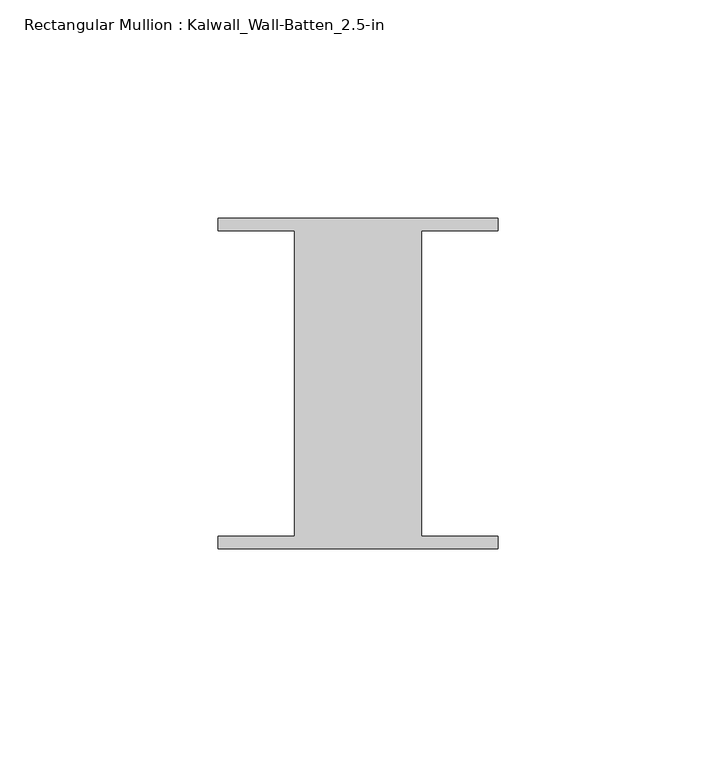
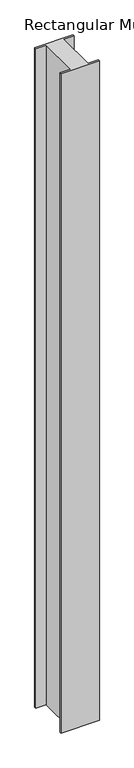
"""IFC4 building model written with IfcOpenShell, lengths in millimetres: member geometry, Rectangular Mullion : Kalwall_Wall-Batten_2.5-in."""

from ifc_helpers import new_model, si_unit, frame, origin, place, context, project, spatial, polyline, outline, extrude, source, transform, mapped, element, save


def rectangular_mullion_kalwall_wall_batten_2_5_in_bcc7e5f2(model_context):
    return source(origin(), model_context, "Body", "SweptSolid", [
        extrude(outline(polyline([(-32.0, 36.524), (32.0, 36.524), (32.0, 33.73), (14.5, 33.73), (14.5, -36.27), (32.0, -36.27), (32.0, -39.064), (-32.0, -39.064), (-32.0, -36.27), (-14.5, -36.27), (-14.5, 33.73), (-32.0, 33.73), (-32.0, 36.524)])), frame((0.0, 0.0, -1161.1864), z_axis=(0.0, 0.0, 1.0), x_axis=(1.0, 0.0, 0.0)), (0.0, 0.0, 1.0), 1161.1864),
    ])


if __name__ == "__main__":
    model = new_model("IFC4")
    model_context = context("Model", 3, world=origin())
    ifc_project = project(units=[si_unit("LENGTHUNIT", "METRE", prefix="MILLI")], contexts=[model_context])
    site = spatial("IfcSite", under=ifc_project)
    building = spatial("IfcBuilding", under=site)
    placement = place(None, origin())
    rectangular_mullion_kalwall_wall_batten_2_5_in_shape = rectangular_mullion_kalwall_wall_batten_2_5_in_bcc7e5f2(model_context)
    element("IfcMember", 1, ObjectType="Rectangular Mullion : Kalwall_Wall-Batten_2.5-in", at=placement, inside=building, context=model_context, shape_type="MappedRepresentation", body=[
        mapped(rectangular_mullion_kalwall_wall_batten_2_5_in_shape, transform((0.0, 0.0, 0.0), x_axis=(1.0, 0.0, 0.0), y_axis=(0.0, 1.0, 0.0), z_axis=(0.0, 0.0, 1.0))),
    ])
    save(model, "model.ifc")
